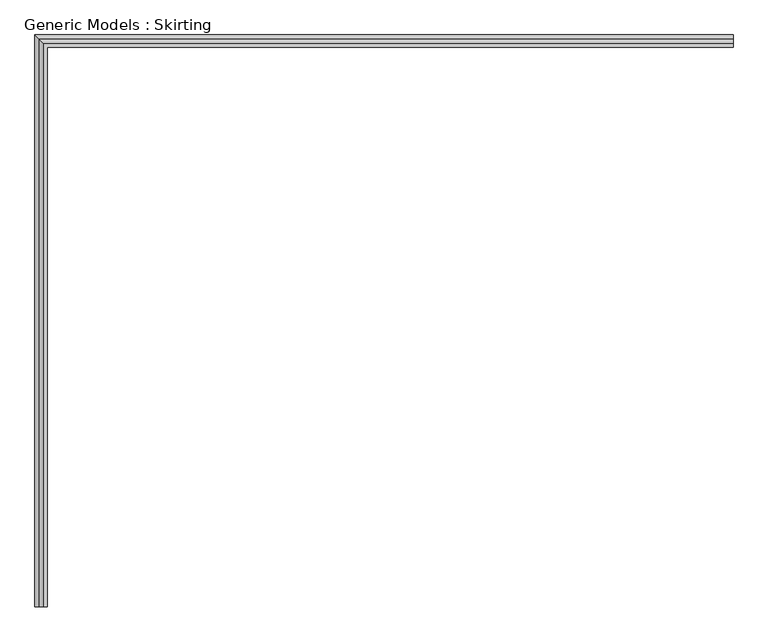
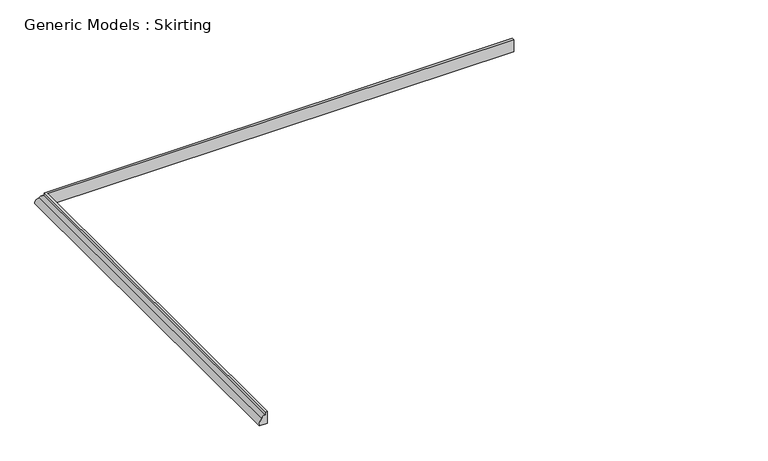
"""IFC4 building model written with IfcOpenShell, lengths in millimetres: proxy geometry, Generic Models : Skirting."""

from ifc_helpers import new_model, si_unit, frame, origin, place, context, project, spatial, circle_curve, ellipse_curve, source, transform, mapped, element, save
from ifc_brep_helpers import plane_surface, cylinder_surface, advanced_brep


def generic_models_skirting_ee8bec3f(model_context):
    return source(origin(), model_context, "Body", "AdvancedBrep", [
        advanced_brep(
        [(2983.6229, 10918.2197178, 1524.0), (2983.6229, 10823.9362965, 1746.1178211), (2983.6229, 10716.173223, 1853.8808946), (2983.6229, 10716.173223, 1949.1308946), (2983.6229, 10638.8197178, 1949.1308946), (2983.6229, 10638.8197178, 1524.0), (-13043.7771, 10918.2197178, 1524.0), (-12949.4936787, 10823.9362965, 1746.1178211), (-12841.7306052, 10716.173223, 1853.8808946), (-12841.7306052, 10716.173223, 1949.1308946), (-12841.7306052, -2213.5802822, 1949.1308946), (-12764.3771, -2213.5802822, 1949.1308946), (-12764.3771, 10638.8197178, 1949.1308946), (-12764.3771, 10638.8197178, 1524.0), (-12764.3771, -2213.5802822, 1524.0), (-13043.7771, -2213.5802822, 1524.0), (-12841.7306052, -2213.5802822, 1853.8808946), (-12949.4936787, -2213.5802822, 1746.1178211)],
        [
            (0, 1, circle_curve(frame((2983.6229, 10675.9842568, 1552.2465268), z_axis=(1.0, 0.0, 0.0), x_axis=(0.0, -1.0, 0.0)), 243.8767821)),
            (1, 2, circle_curve(frame((2983.6229, 10716.173223, 1746.1178211), z_axis=(1.0, 0.0, 0.0), x_axis=(0.0, -1.0, 0.0)), 107.7630735)),
            (2, 3),
            (3, 4),
            (4, 5),
            (5, 0),
            (0, 6),
            (6, 7, ellipse_curve(frame((-12801.541639, 10675.9842568, 1552.2465268), z_axis=(0.7071067811865475, 0.7071067811865475, 0.0), x_axis=(0.7071067811865476, -0.7071067811865474, 0.0)), 344.8938527, 243.8767821)),
            (7, 1),
            (7, 8, ellipse_curve(frame((-12841.7306052, 10716.173223, 1746.1178211), z_axis=(0.7071067811865475, 0.7071067811865475, 0.0), x_axis=(0.7071067811865476, -0.7071067811865474, 0.0)), 152.4, 107.7630735)),
            (8, 2),
            (8, 9),
            (9, 3),
            (9, 10),
            (10, 11),
            (11, 12),
            (12, 4),
            (12, 13),
            (13, 5),
            (13, 14),
            (14, 15),
            (15, 6),
            (14, 11),
            (10, 16),
            (16, 17, circle_curve(frame((-12841.7306052, -2213.5802822, 1746.1178211), z_axis=(0.0, -1.0, 0.0), x_axis=(1.0, 0.0, 0.0)), 107.7630735)),
            (17, 15, circle_curve(frame((-12801.541639, -2213.5802822, 1552.2465268), z_axis=(0.0, -1.0, 0.0), x_axis=(1.0, 0.0, 0.0)), 243.8767821)),
            (17, 7),
            (16, 8),
        ],
        [
            plane_surface(frame((2983.6229, 10638.8197178, 0.0), z_axis=(1.0, 0.0, 0.0), x_axis=(0.0, 0.0, 1.0))),
            cylinder_surface(frame((2983.6229, 10675.9842568, 1552.2465268), z_axis=(1.0, 0.0, 0.0), x_axis=(0.0, -1.0, 0.0)), 243.8767821),
            cylinder_surface(frame((2983.6229, 10716.173223, 1746.1178211), z_axis=(1.0, 0.0, 0.0), x_axis=(0.0, -1.0, 0.0)), 107.7630735),
            plane_surface(frame((2983.6229, 10716.173223, 1853.8808946), z_axis=(0.0, 1.0, 0.0), x_axis=(-1.0, 0.0, 0.0))),
            plane_surface(frame((2983.6229, 10716.173223, 1949.1308946), z_axis=(0.0, 0.0, 1.0), x_axis=(-1.0, 0.0, 0.0))),
            plane_surface(frame((2983.6229, 10638.8197178, 1949.1308946), z_axis=(0.0, -1.0, 0.0), x_axis=(-1.0, 0.0, 0.0))),
            plane_surface(frame((2983.6229, 10638.8197178, 1524.0), z_axis=(0.0, 0.0, -1.0), x_axis=(-1.0, 0.0, 0.0))),
            plane_surface(frame((-12764.3771, -2213.5802822, 0.0), z_axis=(0.0, -1.0, 0.0), x_axis=(0.0, 0.0, 1.0))),
            cylinder_surface(frame((-12801.541639, 10638.8197178, 1552.2465268), z_axis=(0.0, 1.0, 0.0), x_axis=(1.0, 0.0, 0.0)), 243.8767821),
            cylinder_surface(frame((-12841.7306052, 10638.8197178, 1746.1178211), z_axis=(0.0, 1.0, 0.0), x_axis=(1.0, 0.0, 0.0)), 107.7630735),
            plane_surface(frame((-12841.7306052, 10716.173223, 1853.8808946), z_axis=(-1.0, 0.0, 0.0), x_axis=(0.0, -1.0, 0.0))),
            plane_surface(frame((-12764.3771, 10638.8197178, 1949.1308946), z_axis=(1.0, 0.0, 0.0), x_axis=(0.0, -1.0, 0.0))),
        ],
        [
            (0, [[1, 2, 3, 4, 5, 6]]),
            (1, [[-1, 7, 8, 9]]),
            (2, [[-2, -9, 10, 11]]),
            (3, [[-3, -11, 12, 13]]),
            (4, [[-4, -13, 14, 15, 16, 17]]),
            (5, [[-5, -17, 18, 19]]),
            (6, [[-6, -19, 20, 21, 22, -7]]),
            (7, [[-21, 23, -15, 24, 25, 26]]),
            (8, [[-8, -22, -26, 27]]),
            (9, [[-10, -27, -25, 28]]),
            (10, [[-12, -28, -24, -14]]),
            (11, [[-18, -16, -23, -20]]),
        ],
    ),
    ])


if __name__ == "__main__":
    model = new_model("IFC4")
    model_context = context("Model", 3, world=origin())
    ifc_project = project(units=[si_unit("LENGTHUNIT", "METRE", prefix="MILLI")], contexts=[model_context])
    site = spatial("IfcSite", under=ifc_project)
    building = spatial("IfcBuilding", under=site)
    placement = place(None, origin())
    generic_models_skirting_shape = generic_models_skirting_ee8bec3f(model_context)
    element("IfcBuildingElementProxy", 1, Name="Generic Models : Skirting", ObjectType="Generic Models : Skirting", at=placement, inside=building, context=model_context, shape_type="MappedRepresentation", body=[
        mapped(generic_models_skirting_shape, transform((0.0, 0.0, 0.0), x_axis=(1.0, 0.0, 0.0), y_axis=(0.0, 1.0, 0.0), z_axis=(0.0, 0.0, 1.0))),
    ])
    save(model, "model.ifc")
